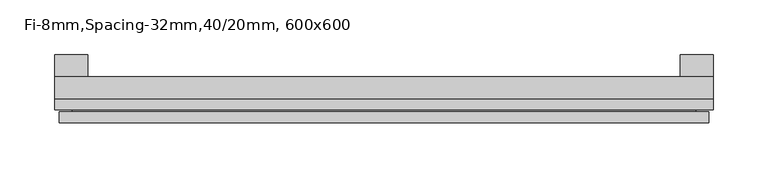
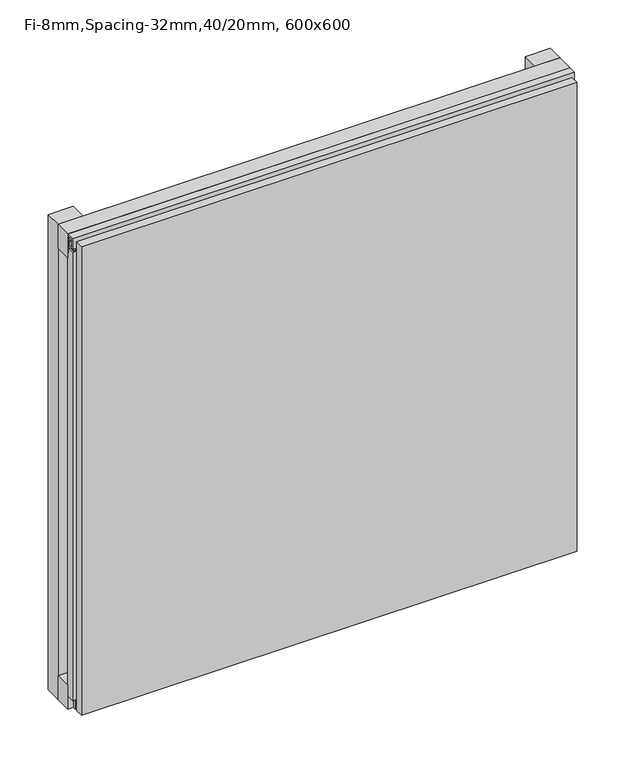
"""IFC4 building model written with IfcOpenShell, lengths in millimetres: plate geometry, Fi-8mm,Spacing-32mm,40/20mm, 600x600."""

from ifc_helpers import new_model, si_unit, frame, origin, origin_with_axes, place, context, project, spatial, polyline, outline, extrude, faceted_brep, source, transform, mapped, element, save


def fi_8mm_spacing_32mm_40_20mm_600x600_21ae19d5(model_context):
    return source(origin(), model_context, "Body", "SolidModel", [
        extrude(outline(polyline([(-300.0, -40.0), (-300.0, -20.0), (300.0, -20.0), (300.0, -40.0), (-300.0, -40.0)])), frame((0.0, 0.0, 570.0), z_axis=(0.0, 0.0, 1.0), x_axis=(1.0, 0.0, 0.0)), (0.0, 0.0, 1.0), 30.0),
        extrude(outline(polyline([(-300.0, -40.0), (-300.0, -20.0), (300.0, -20.0), (300.0, -40.0), (-300.0, -40.0)])), origin_with_axes(), (0.0, 0.0, 1.0), 30.0),
        extrude(outline(polyline([(270.0, 0.0), (300.0, 0.0), (300.0, -20.0), (270.0, -20.0), (270.0, 0.0)])), origin_with_axes(), (0.0, 0.0, 1.0), 600.0),
        extrude(outline(polyline([(-270.0, 0.0), (-270.0, -20.0), (-300.0, -20.0), (-300.0, 0.0), (-270.0, 0.0)])), origin_with_axes(), (0.0, 0.0, 1.0), 600.0),
        extrude(outline(polyline([(-40.0, 593.700916), (-43.5, 593.700916), (-40.0553267, 584.6441401), (-40.0553267, 577.008452), (-41.4553267, 577.008452), (-41.4553267, 584.4296606), (-45.5140545, 595.100916), (-41.4, 595.100916), (-41.4, 598.5843193), (-48.7, 598.5843193), (-48.7, 586.5843193), (-50.1, 586.5843193), (-50.1, 600.0), (-40.0, 600.0), (-40.0, 593.700916)])), frame((-300.0, 0.0, 0.0), z_axis=(1.0, 0.0, 0.0), x_axis=(0.0, 1.0, 0.0)), (0.0, 0.0, 1.0), 600.0),
        extrude(outline(polyline([(-293.700916, -40.0), (-293.700916, -43.5), (-284.6441401, -40.0553267), (-277.008452, -40.0553267), (-277.008452, -41.4553267), (-284.4296606, -41.4553267), (-295.100916, -45.5140545), (-295.100916, -41.4), (-298.5843193, -41.4), (-298.5843193, -48.7), (-286.5843193, -48.7), (-286.5843193, -50.1), (-300.0, -50.1), (-300.0, -40.0), (-293.700916, -40.0)])), frame((0.0, 0.0, 16.9558599), z_axis=(0.0, 0.0, 1.0), x_axis=(1.0, 0.0, 0.0)), (0.0, 0.0, 1.0), 566.0882802),
        faceted_brep([(296.0, -45.9, 596.0), (-296.0, -45.9, 596.0), (-296.0, -48.7, 596.0), (296.0, -48.7, 596.0), (-296.0, -61.9, 596.0), (296.0, -61.9, 596.0), (296.0, -51.9, 596.0), (-296.0, -51.9, 596.0), (-296.0, -45.9, 4.0), (296.0, -45.9, 4.0), (296.0, -48.7, 4.0), (-296.0, -48.7, 4.0), (296.0, -61.9, 4.0), (-296.0, -61.9, 4.0), (-296.0, -51.9, 4.0), (296.0, -51.9, 4.0), (284.0, -51.9, 584.0), (284.0, -51.9, 16.0), (284.0, -48.7, 16.0), (284.0, -48.7, 584.0), (-284.0, -51.9, 16.0), (-284.0, -48.7, 16.0), (-284.0, -51.9, 584.0), (-284.0, -48.7, 584.0)], [[[0, 1, 2, 3]], [[4, 5, 6, 7]], [[8, 9, 10, 11]], [[12, 13, 14, 15]], [[1, 0, 9, 8]], [[1, 8, 11, 2]], [[13, 4, 7, 14]], [[5, 4, 13, 12]], [[9, 0, 3, 10]], [[5, 12, 15, 6]], [[16, 17, 18, 19]], [[18, 17, 20, 21]], [[21, 20, 22, 23]], [[16, 19, 23, 22]], [[7, 6, 15, 14], [17, 16, 22, 20]], [[3, 2, 11, 10], [19, 18, 21, 23]]]),
    ])


if __name__ == "__main__":
    model = new_model("IFC4")
    model_context = context("Model", 3, world=origin())
    ifc_project = project(units=[si_unit("LENGTHUNIT", "METRE", prefix="MILLI")], contexts=[model_context])
    site = spatial("IfcSite", under=ifc_project)
    building = spatial("IfcBuilding", under=site)
    placement = place(None, origin())
    fi_8mm_spacing_32mm_40_20mm_600x600_shape = fi_8mm_spacing_32mm_40_20mm_600x600_21ae19d5(model_context)
    element("IfcPlate", 1, ObjectType="Fi-8mm,Spacing-32mm,40/20mm, 600x600", at=placement, inside=building, context=model_context, shape_type="MappedRepresentation", body=[
        mapped(fi_8mm_spacing_32mm_40_20mm_600x600_shape, transform((0.0, 0.0, 0.0), x_axis=(1.0, 0.0, 0.0), y_axis=(0.0, 1.0, 0.0), z_axis=(0.0, 0.0, 1.0))),
    ])
    save(model, "model.ifc")
